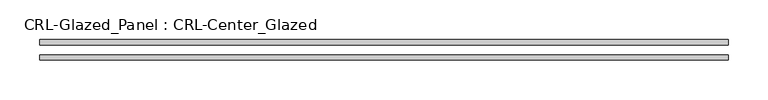
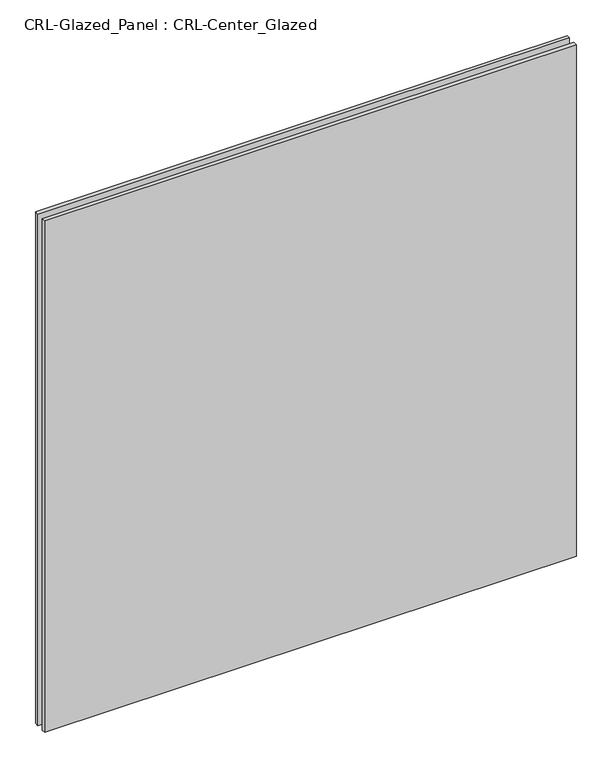
"""IFC4 building model written with IfcOpenShell, lengths in millimetres: plate geometry, CRL-Glazed_Panel : CRL-Center_Glazed."""

from ifc_helpers import new_model, si_unit, origin, origin_with_axes, place, context, project, spatial, polyline, outline, extrude, source, transform, mapped, element, save


def crl_glazed_panel_crl_center_glazed_546d87d4(model_context):
    return source(origin(), model_context, "Body", "SweptSolid", [
        extrude(outline(polyline([(430.2125, -12.7), (-430.2125, -12.7), (-430.2125, -6.35), (430.2125, -6.35), (430.2125, -12.7)])), origin_with_axes(), (0.0, 0.0, 1.0), 874.7125),
        extrude(outline(polyline([(-430.2125, 6.35), (-430.2125, 12.7), (430.2125, 12.7), (430.2125, 6.35), (-430.2125, 6.35)])), origin_with_axes(), (0.0, 0.0, 1.0), 874.7125),
    ])


if __name__ == "__main__":
    model = new_model("IFC4")
    model_context = context("Model", 3, world=origin())
    ifc_project = project(units=[si_unit("LENGTHUNIT", "METRE", prefix="MILLI")], contexts=[model_context])
    site = spatial("IfcSite", under=ifc_project)
    building = spatial("IfcBuilding", under=site)
    placement = place(None, origin())
    crl_glazed_panel_crl_center_glazed_shape = crl_glazed_panel_crl_center_glazed_546d87d4(model_context)
    element("IfcPlate", 1, ObjectType="CRL-Glazed_Panel : CRL-Center_Glazed", at=placement, inside=building, context=model_context, shape_type="MappedRepresentation", body=[
        mapped(crl_glazed_panel_crl_center_glazed_shape, transform((0.0, 0.0, 0.0), x_axis=(1.0, 0.0, 0.0), y_axis=(0.0, 1.0, 0.0), z_axis=(0.0, 0.0, 1.0))),
    ])
    save(model, "model.ifc")
